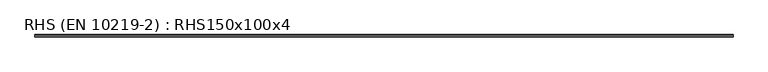
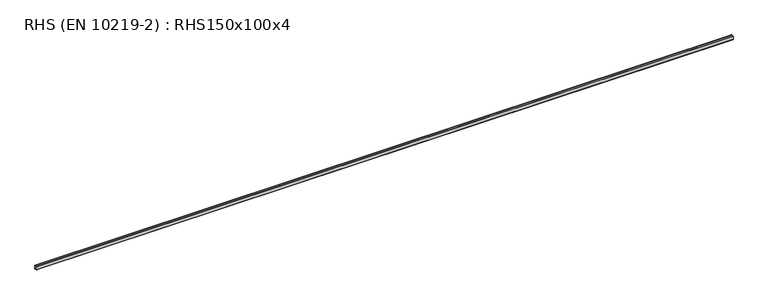
"""IFC4 building model written with IfcOpenShell, lengths in millimetres: beam geometry, RHS (EN 10219-2) : RHS150x100x4."""

from ifc_helpers import new_model, si_unit, point, frame, frame_2d, origin, place, context, project, spatial, polyline, circle_curve, trimmed, segment, composite_curve, outline, extrude, source, transform, mapped, element, save


def rhs_en_10219_2_rhs150x100x4_d8580ed6(model_context):
    return source(origin(), model_context, "Body", "SweptSolid", [
        extrude(outline(composite_curve([segment(polyline([(50.0, 67.0), (50.0, -67.0)]), True, "CONTINUOUS"), segment(trimmed(circle_curve(frame_2d((42.0, -67.0)), 8.0), [point((50.0, -67.0))], [point((42.0, -75.0))], False, "CARTESIAN"), True, "CONTINUOUS"), segment(polyline([(42.0, -75.0), (-42.0, -75.0)]), True, "CONTINUOUS"), segment(trimmed(circle_curve(frame_2d((-42.0, -67.0)), 8.0), [point((-42.0, -75.0))], [point((-50.0, -67.0))], False, "CARTESIAN"), True, "CONTINUOUS"), segment(polyline([(-50.0, -67.0), (-50.0, 67.0)]), True, "CONTINUOUS"), segment(trimmed(circle_curve(frame_2d((-42.0, 67.0)), 8.0), [point((-50.0, 67.0))], [point((-42.0, 75.0))], False, "CARTESIAN"), True, "CONTINUOUS"), segment(polyline([(-42.0, 75.0), (42.0, 75.0)]), True, "CONTINUOUS"), segment(trimmed(circle_curve(frame_2d((42.0, 67.0)), 8.0), [point((42.0, 75.0))], [point((50.0, 67.0))], False, "CARTESIAN"), True, "CONTINUOUS")], self_intersect=False), holes=[composite_curve([segment(trimmed(circle_curve(frame_2d((-42.0, 67.0)), 4.0), [point((-42.0, 71.0))], [point((-46.0, 67.0))], True, "CARTESIAN"), True, "CONTINUOUS"), segment(polyline([(-46.0, 67.0), (-46.0, -67.0)]), True, "CONTINUOUS"), segment(trimmed(circle_curve(frame_2d((-42.0, -67.0)), 4.0), [point((-46.0, -67.0))], [point((-42.0, -71.0))], True, "CARTESIAN"), True, "CONTINUOUS"), segment(polyline([(-42.0, -71.0), (42.0, -71.0)]), True, "CONTINUOUS"), segment(trimmed(circle_curve(frame_2d((42.0, -67.0)), 4.0), [point((42.0, -71.0))], [point((46.0, -67.0))], True, "CARTESIAN"), True, "CONTINUOUS"), segment(polyline([(46.0, -67.0), (46.0, 67.0)]), True, "CONTINUOUS"), segment(trimmed(circle_curve(frame_2d((42.0, 67.0)), 4.0), [point((46.0, 67.0))], [point((42.0, 71.0))], True, "CARTESIAN"), True, "CONTINUOUS"), segment(polyline([(42.0, 71.0), (-42.0, 71.0)]), True, "CONTINUOUS")], self_intersect=False)]), frame((-14600.0, 0.0, 0.0), z_axis=(1.0, 0.0, 0.0), x_axis=(0.0, 1.0, 0.0)), (0.0, 0.0, 1.0), 29200.0),
    ])


if __name__ == "__main__":
    model = new_model("IFC4")
    model_context = context("Model", 3, world=origin())
    ifc_project = project(units=[si_unit("LENGTHUNIT", "METRE", prefix="MILLI")], contexts=[model_context])
    site = spatial("IfcSite", under=ifc_project)
    building = spatial("IfcBuilding", under=site)
    placement = place(None, origin())
    rhs_en_10219_2_rhs150x100x4_shape = rhs_en_10219_2_rhs150x100x4_d8580ed6(model_context)
    element("IfcBeam", 1, ObjectType="RHS (EN 10219-2) : RHS150x100x4", at=placement, inside=building, context=model_context, shape_type="MappedRepresentation", body=[
        mapped(rhs_en_10219_2_rhs150x100x4_shape, transform((0.0, 0.0, 0.0), x_axis=(1.0, 0.0, 0.0), y_axis=(0.0, 1.0, 0.0), z_axis=(0.0, 0.0, 1.0))),
    ])
    save(model, "model.ifc")
